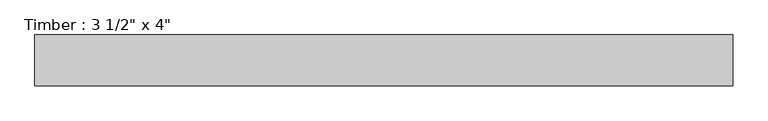
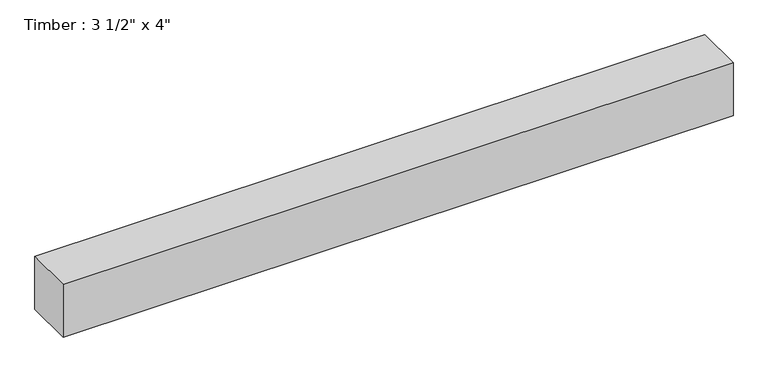
"""IFC4 building model written with IfcOpenShell, lengths in millimetres: beam geometry."""

from ifc_helpers import new_model, si_unit, frame, origin, place, context, project, spatial, polyline, outline, extrude, source, transform, mapped, element, save


def beam_3b51833d(model_context):
    return source(origin(), model_context, "Body", "SweptSolid", [
        extrude(outline(polyline([(609.851914, 44.45), (609.851914, -44.45), (-609.851914, -44.45), (-609.851914, 44.45), (609.851914, 44.45)])), frame((0.0, 0.0, -50.8), z_axis=(0.0, 0.0, 1.0), x_axis=(1.0, 0.0, 0.0)), (0.0, 0.0, 1.0), 101.6),
    ])


if __name__ == "__main__":
    model = new_model("IFC4")
    model_context = context("Model", 3, world=origin())
    ifc_project = project(units=[si_unit("LENGTHUNIT", "METRE", prefix="MILLI")], contexts=[model_context])
    site = spatial("IfcSite", under=ifc_project)
    building = spatial("IfcBuilding", under=site)
    placement = place(None, origin())
    beam_shape = beam_3b51833d(model_context)
    element("IfcBeam", 1, ObjectType="Timber : 3 1/2\" x 4\"", at=placement, inside=building, context=model_context, shape_type="MappedRepresentation", body=[
        mapped(beam_shape, transform((0.0, 0.0, 0.0), x_axis=(1.0, 0.0, 0.0), y_axis=(0.0, 1.0, 0.0), z_axis=(0.0, 0.0, 1.0))),
    ])
    save(model, "model.ifc")
